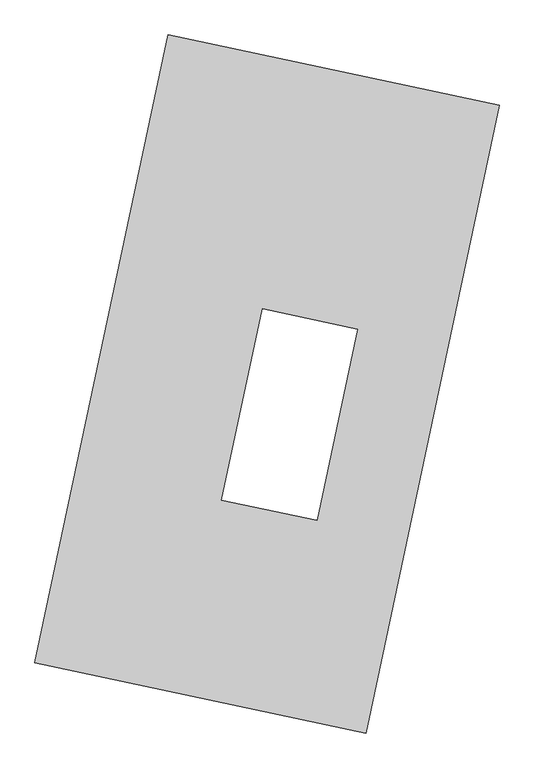
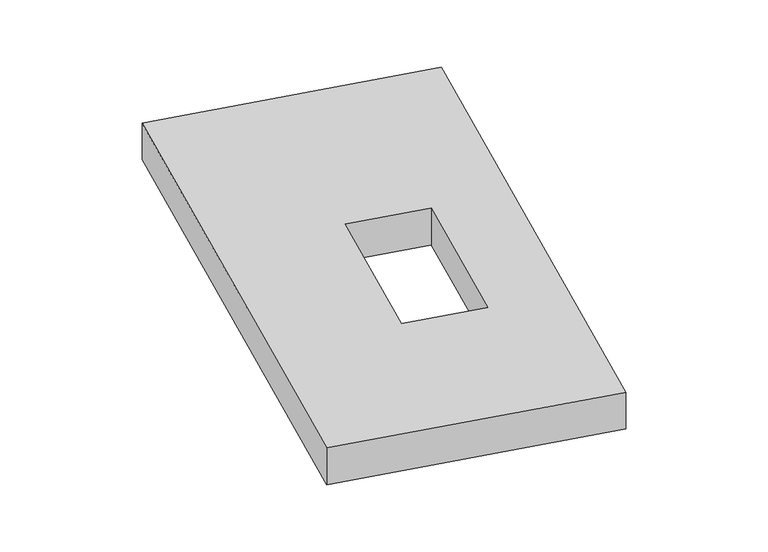
"""IFC4 building model written with IfcOpenShell, lengths in millimetres: proxy geometry."""

from ifc_helpers import new_model, si_unit, origin, origin_with_axes, place, context, project, spatial, polyline, outline, extrude, source, transform, mapped, element, save


def generic_models_1d06d858(model_context):
    return source(origin(), model_context, "Body", "SweptSolid", [
        extrude(outline(polyline([(-617.3692021, 2175.5580432), (1447.7508745, 1737.3010494), (617.3692021, -2175.5580432), (-1447.7508745, -1737.3010494), (-617.3692021, 2175.5580432)]), holes=[polyline([(564.2787183, 342.5663944), (-28.6211043, 468.3907941), (-281.7806775, -724.5278008), (311.1191451, -850.3522005), (564.2787183, 342.5663944)])]), origin_with_axes(), (0.0, 0.0, 1.0), 300.0),
    ])


if __name__ == "__main__":
    model = new_model("IFC4")
    model_context = context("Model", 3, world=origin())
    ifc_project = project(units=[si_unit("LENGTHUNIT", "METRE", prefix="MILLI")], contexts=[model_context])
    site = spatial("IfcSite", under=ifc_project)
    building = spatial("IfcBuilding", under=site)
    placement = place(None, origin())
    generic_models_shape = generic_models_1d06d858(model_context)
    element("IfcBuildingElementProxy", 1, Name="Generic Models", at=placement, inside=building, context=model_context, shape_type="MappedRepresentation", body=[
        mapped(generic_models_shape, transform((0.0, 0.0, 0.0), x_axis=(1.0, 0.0, 0.0), y_axis=(0.0, 1.0, 0.0), z_axis=(0.0, 0.0, 1.0))),
    ])
    save(model, "model.ifc")
